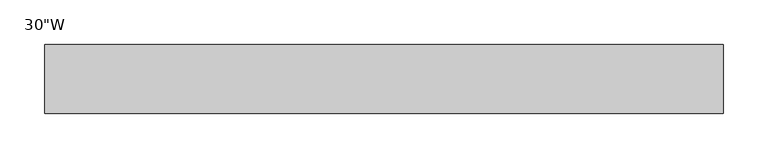
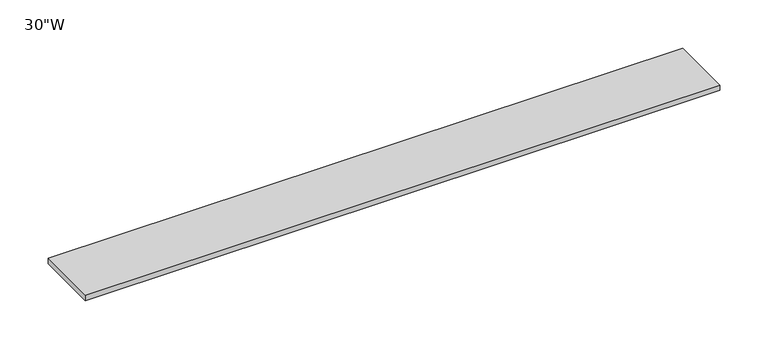
"""IFC4 building model written with IfcOpenShell, lengths in millimetres: furniture geometry."""

from ifc_helpers import new_model, si_unit, frame, origin, place, context, project, spatial, polyline, outline, extrude, source, transform, mapped, element, save


def furniture_fd89f9fd(model_context):
    return source(origin(), model_context, "Body", "SweptSolid", [
        extrude(outline(polyline([(325.01205, 38.735), (325.01205, -38.735), (-436.98795, -38.735), (-436.98795, 38.735), (325.01205, 38.735)])), frame((0.0, 0.0, 1150.366), z_axis=(0.0, 0.0, 1.0), x_axis=(1.0, 0.0, 0.0)), (0.0, 0.0, 1.0), 6.858),
    ])


if __name__ == "__main__":
    model = new_model("IFC4")
    model_context = context("Model", 3, world=origin())
    ifc_project = project(units=[si_unit("LENGTHUNIT", "METRE", prefix="MILLI")], contexts=[model_context])
    site = spatial("IfcSite", under=ifc_project)
    building = spatial("IfcBuilding", under=site)
    placement = place(None, origin())
    furniture_shape = furniture_fd89f9fd(model_context)
    element("IfcFurniture", 1, ObjectType="30\"W", at=placement, inside=building, context=model_context, shape_type="MappedRepresentation", body=[
        mapped(furniture_shape, transform((0.0, 0.0, 0.0), x_axis=(1.0, 0.0, 0.0), y_axis=(0.0, 1.0, 0.0), z_axis=(0.0, 0.0, 1.0))),
    ])
    save(model, "model.ifc")
